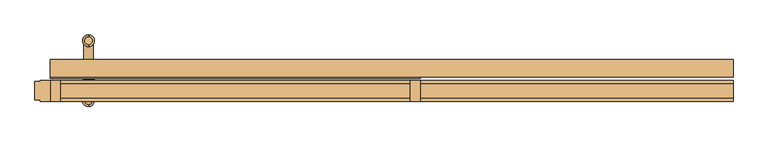
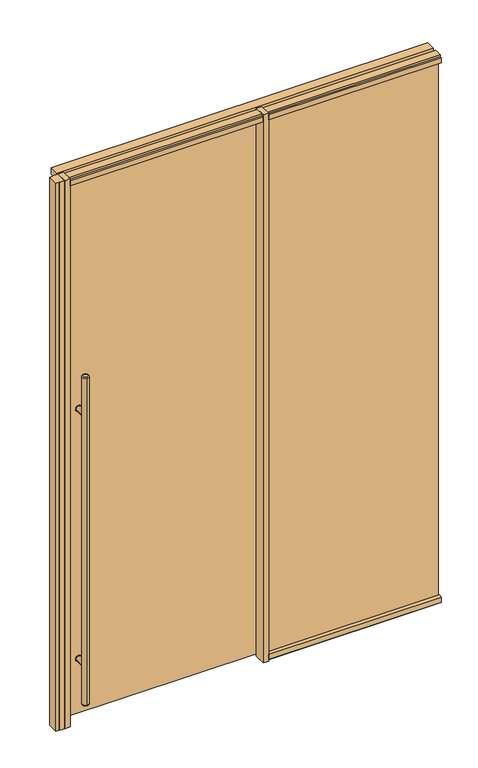
"""IFC4 building model written with IfcOpenShell, lengths in millimetres: door geometry."""

from ifc_helpers import new_model, si_unit, point, frame, frame_2d, origin, origin_with_axes, place, context, project, spatial, polyline, circle_curve, ellipse_curve, trimmed, segment, composite_curve, outline, extrude, source, transform, mapped, element, save
from ifc_brep_helpers import plane_surface, cylinder_surface, revolved_surface, advanced_brep


def door_9ac0f26c(model_context):
    return source(origin(), model_context, "Body", "SolidModel", [
        extrude(outline(composite_curve([segment(trimmed(circle_curve(frame_2d((312.7375, -879.475)), 15.875), [point((312.7375, -895.35))], [point((312.7375, -863.6))], False, "CARTESIAN"), True, "CONTINUOUS"), segment(trimmed(circle_curve(frame_2d((312.7375, -879.475)), 15.875), [point((312.7375, -863.6))], [point((312.7375, -895.35))], False, "CARTESIAN"), True, "CONTINUOUS")], self_intersect=False)), frame((0.0, 33.3375, 0.0), z_axis=(0.0, 1.0, 0.0), x_axis=(0.0, 0.0, 1.0)), (0.0, 0.0, 1.0), 3.175),
        extrude(outline(composite_curve([segment(trimmed(circle_curve(frame_2d((1703.3875, -879.475)), 15.875), [point((1703.3875, -863.6))], [point((1703.3875, -895.35))], False, "CARTESIAN"), True, "CONTINUOUS"), segment(trimmed(circle_curve(frame_2d((1703.3875, -879.475)), 15.875), [point((1703.3875, -895.35))], [point((1703.3875, -863.6))], False, "CARTESIAN"), True, "CONTINUOUS")], self_intersect=False)), frame((0.0, 33.3375, 0.0), z_axis=(0.0, 1.0, 0.0), x_axis=(0.0, 0.0, 1.0)), (0.0, 0.0, 1.0), 3.175),
        extrude(outline(composite_curve([segment(trimmed(circle_curve(frame_2d((312.7375, -879.475)), 15.875), [point((312.7375, -895.35))], [point((312.7375, -863.6))], False, "CARTESIAN"), True, "CONTINUOUS"), segment(trimmed(circle_curve(frame_2d((312.7375, -879.475)), 15.875), [point((312.7375, -863.6))], [point((312.7375, -895.35))], False, "CARTESIAN"), True, "CONTINUOUS")], self_intersect=False)), frame((0.0, 80.9625, 0.0), z_axis=(0.0, 1.0, 0.0), x_axis=(0.0, 0.0, 1.0)), (0.0, 0.0, 1.0), 3.175),
        extrude(outline(composite_curve([segment(trimmed(circle_curve(frame_2d((1703.3875, -879.475)), 15.875), [point((1703.3875, -895.35))], [point((1703.3875, -863.6))], False, "CARTESIAN"), True, "CONTINUOUS"), segment(trimmed(circle_curve(frame_2d((1703.3875, -879.475)), 15.875), [point((1703.3875, -863.6))], [point((1703.3875, -895.35))], False, "CARTESIAN"), True, "CONTINUOUS")], self_intersect=False)), frame((0.0, 80.9625, 0.0), z_axis=(0.0, 1.0, 0.0), x_axis=(0.0, 0.0, 1.0)), (0.0, 0.0, 1.0), 3.175),
        extrude(outline(composite_curve([segment(trimmed(circle_curve(frame_2d((312.7375, -879.475)), 14.2875), [point((312.7375, -865.1875))], [point((312.7375, -893.7625))], False, "CARTESIAN"), True, "CONTINUOUS"), segment(trimmed(circle_curve(frame_2d((312.7375, -879.475)), 14.2875), [point((312.7375, -893.7625))], [point((312.7375, -865.1875))], False, "CARTESIAN"), True, "CONTINUOUS")], self_intersect=False)), frame((0.0, 80.9625, 0.0), z_axis=(0.0, 1.0, 0.0), x_axis=(0.0, 0.0, 1.0)), (0.0, 0.0, 1.0), 65.0875),
        extrude(outline(composite_curve([segment(trimmed(circle_curve(frame_2d((1703.3875, -879.475)), 14.2875), [point((1703.3875, -865.1875))], [point((1703.3875, -893.7625))], False, "CARTESIAN"), True, "CONTINUOUS"), segment(trimmed(circle_curve(frame_2d((1703.3875, -879.475)), 14.2875), [point((1703.3875, -893.7625))], [point((1703.3875, -865.1875))], False, "CARTESIAN"), True, "CONTINUOUS")], self_intersect=False)), frame((0.0, 80.9625, 0.0), z_axis=(0.0, 1.0, 0.0), x_axis=(0.0, 0.0, 1.0)), (0.0, 0.0, 1.0), 65.0875),
        advanced_brep(
        [(-879.475, -17.78, 1924.05), (-879.475, -39.37, 1924.05), (-879.475, -39.37, 95.25), (-879.475, -17.78, 95.25), (-879.475, -45.72, 101.6), (-879.475, -11.43, 101.6), (-879.475, -11.43, 1917.7), (-879.475, -45.72, 1917.7)],
        [
            (0, 1, circle_curve(frame((-879.475, -28.575, 1924.05), z_axis=(0.0, 0.0, 1.0), x_axis=(0.0, 1.0, 0.0)), 10.795)),
            (1, 0, circle_curve(frame((-879.475, -28.575, 1924.05), z_axis=(0.0, 0.0, 1.0), x_axis=(0.0, 1.0, 0.0)), 10.795)),
            (2, 3, circle_curve(frame((-879.475, -28.575, 95.25), z_axis=(0.0, 0.0, -1.0), x_axis=(0.0, 1.0, 0.0)), 10.795)),
            (3, 2, circle_curve(frame((-879.475, -28.575, 95.25), z_axis=(0.0, 0.0, -1.0), x_axis=(0.0, 1.0, 0.0)), 10.795)),
            (4, 5, circle_curve(frame((-879.475, -28.575, 101.6), z_axis=(0.0, 0.0, 1.0), x_axis=(0.0, 1.0, 0.0)), 17.145)),
            (5, 6),
            (6, 7, circle_curve(frame((-879.475, -28.575, 1917.7), z_axis=(0.0, 0.0, -1.0), x_axis=(0.0, 1.0, 0.0)), 17.145)),
            (7, 4),
            (5, 4, circle_curve(frame((-879.475, -28.575, 101.6), z_axis=(0.0, 0.0, 1.0), x_axis=(0.0, 1.0, 0.0)), 17.145)),
            (7, 6, circle_curve(frame((-879.475, -28.575, 1917.7), z_axis=(0.0, 0.0, -1.0), x_axis=(0.0, 1.0, 0.0)), 17.145)),
            (2, 4, circle_curve(frame((-879.475, -39.37, 101.6), z_axis=(-1.0, 0.0, 0.0), x_axis=(0.0, -1.0, 0.0)), 6.35)),
            (5, 3, circle_curve(frame((-879.475, -17.78, 101.6), z_axis=(-1.0, 0.0, 0.0), x_axis=(0.0, 1.0, 0.0)), 6.35)),
            (7, 1, circle_curve(frame((-879.475, -39.37, 1917.7), z_axis=(-1.0, 0.0, 0.0), x_axis=(0.0, -1.0, 0.0)), 6.35)),
            (0, 6, circle_curve(frame((-879.475, -17.78, 1917.7), z_axis=(-1.0, 0.0, 0.0), x_axis=(0.0, 1.0, 0.0)), 6.35)),
        ],
        [
            plane_surface(frame((-879.475, 163.195, 1924.05), z_axis=(0.0, 0.0, 1.0), x_axis=(-1.0, 0.0, 0.0))),
            plane_surface(frame((-879.475, 163.195, 95.25), z_axis=(0.0, 0.0, -1.0), x_axis=(1.0, 0.0, 0.0))),
            cylinder_surface(frame((-879.475, -28.575, 95.25), z_axis=(0.0, 0.0, 1.0), x_axis=(0.0, 1.0, 0.0)), 17.145),
            revolved_surface(trimmed(ellipse_curve(frame((-879.475, -17.78, 101.6), z_axis=(1.0, 0.0, 0.0), x_axis=(0.0, 1.0, 0.0)), 6.35, 6.35), [point((-879.475, -17.78, 95.25))], [point((-879.475, -11.43, 101.6))], True, "CARTESIAN"), (-879.475, -28.575, 2533.65), (0.0, 0.0, 1.0)),
            revolved_surface(trimmed(ellipse_curve(frame((-879.475, -17.78, 1917.7), z_axis=(1.0, 0.0, 0.0), x_axis=(0.0, 1.0, 0.0)), 6.35, 6.35), [point((-879.475, -11.43, 1917.7))], [point((-879.475, -17.78, 1924.05))], True, "CARTESIAN"), (-879.475, -28.575, -514.35), (0.0, 0.0, 1.0)),
        ],
        [
            (0, [[1, 2]]),
            (1, [[3, 4]]),
            (2, [[5, 6, 7, 8]]),
            (2, [[9, -8, 10, -6]]),
            (3, [[11, -9, 12, -3]]),
            (3, [[-11, -4, -12, -5]]),
            (4, [[13, -1, 14, -10]]),
            (4, [[-13, -7, -14, -2]]),
        ],
    ),
        advanced_brep(
        [(-879.475, 156.845, 1924.05), (-879.475, 135.255, 1924.05), (-879.475, 135.255, 95.25), (-879.475, 156.845, 95.25), (-879.475, 128.905, 101.6), (-879.475, 163.195, 101.6), (-879.475, 163.195, 1917.7), (-879.475, 128.905, 1917.7)],
        [
            (0, 1, circle_curve(frame((-879.475, 146.05, 1924.05), z_axis=(0.0, 0.0, 1.0), x_axis=(0.0, -1.0, 0.0)), 10.795)),
            (1, 0, circle_curve(frame((-879.475, 146.05, 1924.05), z_axis=(0.0, 0.0, 1.0), x_axis=(0.0, -1.0, 0.0)), 10.795)),
            (2, 3, circle_curve(frame((-879.475, 146.05, 95.25), z_axis=(0.0, 0.0, -1.0), x_axis=(0.0, -1.0, 0.0)), 10.795)),
            (3, 2, circle_curve(frame((-879.475, 146.05, 95.25), z_axis=(0.0, 0.0, -1.0), x_axis=(0.0, -1.0, 0.0)), 10.795)),
            (4, 5, circle_curve(frame((-879.475, 146.05, 101.6), z_axis=(0.0, 0.0, 1.0), x_axis=(0.0, 1.0, 0.0)), 17.145)),
            (5, 6),
            (6, 7, circle_curve(frame((-879.475, 146.05, 1917.7), z_axis=(0.0, 0.0, -1.0), x_axis=(0.0, 1.0, 0.0)), 17.145)),
            (7, 4),
            (5, 4, circle_curve(frame((-879.475, 146.05, 101.6), z_axis=(0.0, 0.0, 1.0), x_axis=(0.0, 1.0, 0.0)), 17.145)),
            (7, 6, circle_curve(frame((-879.475, 146.05, 1917.7), z_axis=(0.0, 0.0, -1.0), x_axis=(0.0, 1.0, 0.0)), 17.145)),
            (5, 3, circle_curve(frame((-879.475, 156.845, 101.6), z_axis=(-1.0, 0.0, 0.0), x_axis=(0.0, 1.0, 0.0)), 6.35)),
            (2, 4, circle_curve(frame((-879.475, 135.255, 101.6), z_axis=(-1.0, 0.0, 0.0), x_axis=(0.0, -1.0, 0.0)), 6.35)),
            (0, 6, circle_curve(frame((-879.475, 156.845, 1917.7), z_axis=(-1.0, 0.0, 0.0), x_axis=(0.0, 1.0, 0.0)), 6.35)),
            (7, 1, circle_curve(frame((-879.475, 135.255, 1917.7), z_axis=(-1.0, 0.0, 0.0), x_axis=(0.0, -1.0, 0.0)), 6.35)),
        ],
        [
            plane_surface(frame((-879.475, 163.195, 1924.05), z_axis=(0.0, 0.0, 1.0), x_axis=(-1.0, 0.0, 0.0))),
            plane_surface(frame((-879.475, 163.195, 95.25), z_axis=(0.0, 0.0, -1.0), x_axis=(1.0, 0.0, 0.0))),
            cylinder_surface(frame((-879.475, 146.05, 95.25), z_axis=(0.0, 0.0, 1.0), x_axis=(0.0, 1.0, 0.0)), 17.145),
            revolved_surface(trimmed(ellipse_curve(frame((-879.475, 135.255, 101.6), z_axis=(1.0, 0.0, 0.0), x_axis=(0.0, -1.0, 0.0)), 6.35, 6.35), [point((-879.475, 128.905, 101.6))], [point((-879.475, 135.255, 95.25))], True, "CARTESIAN"), (-879.475, 146.05, 2533.65), (0.0, 0.0, -1.0)),
            revolved_surface(trimmed(ellipse_curve(frame((-879.475, 135.255, 1917.7), z_axis=(1.0, 0.0, 0.0), x_axis=(0.0, -1.0, 0.0)), 6.35, 6.35), [point((-879.475, 135.255, 1924.05))], [point((-879.475, 128.905, 1917.7))], True, "CARTESIAN"), (-879.475, 146.05, -514.35), (0.0, 0.0, -1.0)),
        ],
        [
            (0, [[1, 2]]),
            (1, [[3, 4]]),
            (2, [[5, 6, 7, 8]]),
            (2, [[9, -8, 10, -6]]),
            (3, [[11, -3, 12, -9]]),
            (3, [[-11, -5, -12, -4]]),
            (4, [[13, -10, 14, -1]]),
            (4, [[-13, -2, -14, -7]]),
        ],
    ),
        extrude(outline(composite_curve([segment(trimmed(circle_curve(frame_2d((312.7375, -879.475)), 14.2875), [point((312.7375, -865.1875))], [point((312.7375, -893.7625))], False, "CARTESIAN"), True, "CONTINUOUS"), segment(trimmed(circle_curve(frame_2d((312.7375, -879.475)), 14.2875), [point((312.7375, -893.7625))], [point((312.7375, -865.1875))], False, "CARTESIAN"), True, "CONTINUOUS")], self_intersect=False)), frame((0.0, -28.575, 0.0), z_axis=(0.0, 1.0, 0.0), x_axis=(0.0, 0.0, 1.0)), (0.0, 0.0, 1.0), 65.0875),
        extrude(outline(composite_curve([segment(trimmed(circle_curve(frame_2d((1703.3875, -879.475)), 14.2875), [point((1703.3875, -865.1875))], [point((1703.3875, -893.7625))], False, "CARTESIAN"), True, "CONTINUOUS"), segment(trimmed(circle_curve(frame_2d((1703.3875, -879.475)), 14.2875), [point((1703.3875, -893.7625))], [point((1703.3875, -865.1875))], False, "CARTESIAN"), True, "CONTINUOUS")], self_intersect=False)), frame((0.0, -28.575, 0.0), z_axis=(0.0, 1.0, 0.0), x_axis=(0.0, 0.0, 1.0)), (0.0, 0.0, 1.0), 65.0875),
        extrude(outline(polyline([(990.6, 6.35), (990.6, -6.35), (82.5231001, -6.35), (82.5231001, 6.35), (990.6, 6.35)])), origin_with_axes(), (0.0, 0.0, 1.0), 3044.825),
        extrude(outline(polyline([(-990.6, 30.1625), (-990.6, -30.1625), (-1019.175, -30.1625), (-1019.175, -26.9875), (-1035.05, -26.9875), (-1035.05, 26.9875), (-1019.175, 26.9875), (-1019.175, 30.1625), (-990.6, 30.1625)])), origin_with_axes(), (0.0, 0.0, 1.0), 3048.0),
        extrude(outline(polyline([(82.5231001, 30.1625), (82.5231001, -30.1625), (53.9481001, -30.1625), (53.9481001, 30.1625), (82.5231001, 30.1625)])), origin_with_axes(), (0.0, 0.0, 1.0), 3048.0),
        extrude(outline(polyline([(-962.025, 30.1625), (-962.025, -30.1625), (-990.6, -30.1625), (-990.6, 30.1625), (-962.025, 30.1625)])), origin_with_axes(), (0.0, 0.0, 1.0), 3048.0),
        extrude(outline(polyline([(82.5231001, 80.9625), (82.5231001, 36.5125), (-990.6, 36.5125), (-990.6, 80.9625), (82.5231001, 80.9625)])), frame((0.0, 0.0, 9.525), z_axis=(0.0, 0.0, 1.0), x_axis=(1.0, 0.0, 0.0)), (0.0, 0.0, 1.0), 2987.675),
        extrude(outline(polyline([(20.6375, 3048.0), (20.6375, 3038.475), (30.1625, 3038.475), (30.1625, 3009.9), (11.1125, 3009.9), (11.1125, 3044.825), (-11.1125, 3044.825), (-11.1125, 3009.9), (-30.1625, 3009.9), (-30.1625, 3038.475), (-20.6375, 3038.475), (-20.6375, 3048.0), (20.6375, 3048.0)])), frame((-962.025, 0.0, 0.0), z_axis=(1.0, 0.0, 0.0), x_axis=(0.0, 1.0, 0.0)), (0.0, 0.0, 1.0), 1015.9731001),
        extrude(outline(polyline([(990.6, 90.4875), (990.6, 39.6875), (-990.6, 39.6875), (-990.6, 90.4875), (990.6, 90.4875)])), frame((0.0, 0.0, 3009.9), z_axis=(0.0, 0.0, 1.0), x_axis=(1.0, 0.0, 0.0)), (0.0, 0.0, 1.0), 38.1),
        extrude(outline(polyline([(-30.1625, 3038.475), (-20.6375, 3038.475), (-20.6375, 3048.0), (20.6375, 3048.0), (20.6375, 3038.475), (30.1625, 3038.475), (30.1625, 3009.9), (11.1125, 3009.9), (11.1125, 3044.825), (-11.1125, 3044.825), (-11.1125, 3009.9), (-30.1625, 3009.9), (-30.1625, 3038.475)])), frame((82.5231001, 0.0, 0.0), z_axis=(1.0, 0.0, 0.0), x_axis=(0.0, 1.0, 0.0)), (0.0, 0.0, 1.0), 908.0768999),
        extrude(outline(polyline([(30.1625, 9.525), (20.6375, 9.525), (20.6375, 0.0), (-20.6375, 0.0), (-20.6375, 9.525), (-30.1625, 9.525), (-30.1625, 38.1), (-11.1125, 38.1), (-11.1125, 3.175), (11.1125, 3.175), (11.1125, 38.1), (30.1625, 38.1), (30.1625, 9.525)])), frame((82.5231001, 0.0, 0.0), z_axis=(1.0, 0.0, 0.0), x_axis=(0.0, 1.0, 0.0)), (0.0, 0.0, 1.0), 908.0768999),
    ])


if __name__ == "__main__":
    model = new_model("IFC4")
    model_context = context("Model", 3, world=origin())
    ifc_project = project(units=[si_unit("LENGTHUNIT", "METRE", prefix="MILLI")], contexts=[model_context])
    site = spatial("IfcSite", under=ifc_project)
    building = spatial("IfcBuilding", under=site)
    placement = place(None, origin())
    door_shape = door_9ac0f26c(model_context)
    element("IfcDoor", 1, at=placement, inside=building, context=model_context, shape_type="MappedRepresentation", body=[
        mapped(door_shape, transform((0.0, 0.0, 0.0), x_axis=(1.0, 0.0, 0.0), y_axis=(0.0, 1.0, 0.0), z_axis=(0.0, 0.0, 1.0))),
    ])
    save(model, "model.ifc")
